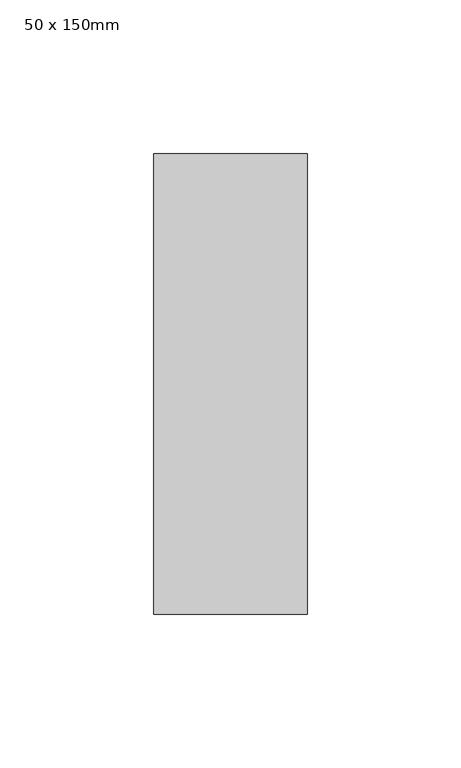
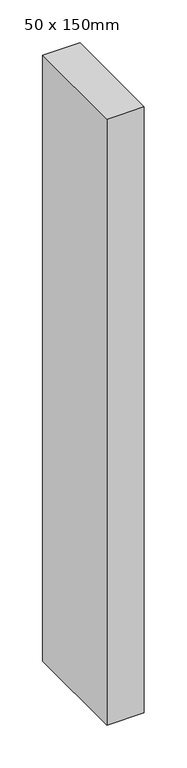
"""IFC4 building model written with IfcOpenShell, lengths in millimetres: member geometry, 50 x 150mm."""

import ifcopenshell
import ifcopenshell.guid

model = None  # the IFC model being written
_history = None  # IfcOwnerHistory: only IFC2X3 demands one
_inside = {}  # id of a spatial element -> (the spatial element, [elements in it])
_under = {}  # id of a project, library or spatial element -> (it, [spatial elements below it])
_declared = {}  # id of a project -> (the project, [libraries it declares])
_typed = {}  # id of a type object -> (the type object, [elements of that type])
_made_of = {}  # id of a material, layer set ... -> (it, [elements and type objects made of it])


def new_model(schema):
    """Start an empty IFC model of exactly this schema.

    Asked for "IFC4X3", IfcOpenShell would pick the latest addendum, in which some entities
    have other attributes; the version numbers below select the first issue.
    IFC2X3 requires an IfcOwnerHistory on every rooted entity: one is made here for all.
    """
    global model, _history
    if schema == "IFC4X3":
        model = ifcopenshell.file(schema_version=(4, 3, 0, 0))
    else:
        model = ifcopenshell.file(schema=schema)
    _inside.clear()
    _under.clear()
    _declared.clear()
    _typed.clear()
    _made_of.clear()
    _history = None
    if model.schema == "IFC2X3":
        org = make("IfcOrganization", Name="unknown")
        user = make(
            "IfcPersonAndOrganization",
            ThePerson=make("IfcPerson", FamilyName="unknown"),
            TheOrganization=org,
        )
        app = make(
            "IfcApplication",
            ApplicationDeveloper=org,
            Version="unknown",
            ApplicationFullName="unknown",
            ApplicationIdentifier="unknown",
        )
        _history = make(
            "IfcOwnerHistory",
            OwningUser=user,
            OwningApplication=app,
            ChangeAction="ADDED",
            CreationDate=0,
        )
    return model


def make(cls, **values):
    """One entity of the class cls with the attributes given. An attribute that is None is left unset."""
    return model.create_entity(
        cls, **{name: value for name, value in values.items() if value is not None}
    )


def rooted(cls, **values):
    """An entity with a GlobalId (a new one), such as an element, a storey or a relation."""
    return make(cls, GlobalId=ifcopenshell.guid.new(), OwnerHistory=_history, **values)


def si_unit(unit_type, name, prefix=None):
    """IfcSIUnit, for example si_unit("LENGTHUNIT", "METRE", prefix="MILLI")."""
    return make("IfcSIUnit", UnitType=unit_type, Prefix=prefix, Name=name)


def assignment(units):
    """IfcUnitAssignment: the units of a project."""
    return None if units is None else make("IfcUnitAssignment", Units=units)


def point(xyz):
    """IfcCartesianPoint."""
    return None if xyz is None else make("IfcCartesianPoint", Coordinates=xyz)


def direction(xyz):
    """IfcDirection."""
    return None if xyz is None else make("IfcDirection", DirectionRatios=xyz)


def frame(location, z_axis=None, x_axis=None):
    """IfcAxis2Placement3D, a coordinate frame: its origin and axes. An axis left out is left unset."""
    return make(
        "IfcAxis2Placement3D",
        Location=point(location),
        Axis=direction(z_axis),
        RefDirection=direction(x_axis),
    )


def origin():
    """The frame at (0, 0, 0) with its axes left unset."""
    return frame((0.0, 0.0, 0.0))


def place(relative_to, where):
    """IfcLocalPlacement: puts the frame where relative to a parent placement (None: the world)."""
    return make(
        "IfcLocalPlacement", PlacementRelTo=relative_to, RelativePlacement=where
    )


def context(
    kind, dimensions, precision=None, world=None, true_north=None, identifier=None
):
    """IfcGeometricRepresentationContext, for example the 3D "Model" context."""
    return make(
        "IfcGeometricRepresentationContext",
        ContextIdentifier=identifier,
        ContextType=kind,
        CoordinateSpaceDimension=dimensions,
        Precision=precision,
        WorldCoordinateSystem=world,
        TrueNorth=true_north,
    )


def project(units=None, contexts=None):
    """IfcProject with its units and contexts."""
    return rooted(
        "IfcProject",
        Name="project",
        RepresentationContexts=contexts,
        UnitsInContext=assignment(units),
    )


def spatial(cls, under=None, at=None, **own):
    """A site, building, storey or space (cls), placed at a placement, below another one or the project."""
    s = rooted(cls, ObjectPlacement=at, **own)
    if under is not None:
        _under.setdefault(under.id(), (under, []))[1].append(s)
    return s


def polyline(points):
    """IfcPolyline through the points."""
    return make("IfcPolyline", Points=[point(p) for p in points])


def outline(outer, holes=None, kind="AREA"):
    """IfcArbitraryClosedProfileDef: a profile drawn as a closed curve; with holes, ...WithVoids."""
    if holes is None:
        return make("IfcArbitraryClosedProfileDef", ProfileType=kind, OuterCurve=outer)
    return make(
        "IfcArbitraryProfileDefWithVoids",
        ProfileType=kind,
        OuterCurve=outer,
        InnerCurves=holes,
    )


def extrude(swept, where, along, depth):
    """IfcExtrudedAreaSolid: the profile swept, set in the frame where, extruded along a direction by depth."""
    return make(
        "IfcExtrudedAreaSolid",
        SweptArea=swept,
        Position=where,
        ExtrudedDirection=direction(along),
        Depth=depth,
    )


def shape(context_of_items, identifier, shape_type, items):
    """IfcShapeRepresentation: the items that make up one representation, for example the "Body"."""
    return make(
        "IfcShapeRepresentation",
        ContextOfItems=context_of_items,
        RepresentationIdentifier=identifier,
        RepresentationType=shape_type,
        Items=items,
    )


def source(mapping_origin, context_of_items, identifier, shape_type, items):
    """IfcRepresentationMap: a shape defined once, which mapped items show again and again."""
    return make(
        "IfcRepresentationMap",
        MappingOrigin=mapping_origin,
        MappedRepresentation=shape(context_of_items, identifier, shape_type, items),
    )


def transform(
    local_origin,
    x_axis=None,
    y_axis=None,
    z_axis=None,
    scale=None,
    scale2=None,
    scale3=None,
    uniform=True,
):
    """IfcCartesianTransformationOperator3D, or its non-uniform kind. x_axis, y_axis, z_axis: its Axis1, 2, 3."""
    if uniform:
        return make(
            "IfcCartesianTransformationOperator3D",
            Axis1=direction(x_axis),
            Axis2=direction(y_axis),
            LocalOrigin=point(local_origin),
            Scale=scale,
            Axis3=direction(z_axis),
        )
    return make(
        "IfcCartesianTransformationOperator3DnonUniform",
        Axis1=direction(x_axis),
        Axis2=direction(y_axis),
        LocalOrigin=point(local_origin),
        Scale=scale,
        Axis3=direction(z_axis),
        Scale2=scale2,
        Scale3=scale3,
    )


def mapped(mapping_source, mapping_target):
    """IfcMappedItem: shows the shape of a source again, moved by a transform."""
    return make(
        "IfcMappedItem", MappingSource=mapping_source, MappingTarget=mapping_target
    )


def made_of(thing, what):
    """Note that an element or type object is made of a material, layer set ...; save() writes the relation."""
    if what is not None:
        _made_of.setdefault(what.id(), (what, []))[1].append(thing)
    return thing


def element(
    cls,
    number,
    at=None,
    inside=None,
    cuts=None,
    type_object=None,
    material=None,
    context=None,
    identifier="Body",
    shape_type=None,
    held_by="IfcProductDefinitionShape",
    body=None,
    shapes=None,
    **own,
):
    """One element of the class cls, such as IfcWall. Its Tag is "e" and its number.

    at: its placement. inside: the storey or other place that contains it. cuts: it is an
    opening in that element (IfcRelVoidsElement). A single representation is given by context,
    identifier, shape_type and body (its items); several are given by shapes. held_by: the class
    of the entity that holds the representations. save() writes the other relations.
    """
    e = rooted(cls, Tag="e%d" % number, ObjectPlacement=at, **own)
    if body is not None:
        shapes = [shape(context, identifier, shape_type, body)]
    if shapes is not None:
        e.Representation = make(held_by, Representations=shapes)
    if inside is not None:
        _inside.setdefault(inside.id(), (inside, []))[1].append(e)
    if cuts is not None:
        rooted(
            "IfcRelVoidsElement", RelatingBuildingElement=cuts, RelatedOpeningElement=e
        )
    if type_object is not None:
        _typed.setdefault(type_object.id(), (type_object, []))[1].append(e)
    return made_of(e, material)


def aggregate(whole, parts):
    """IfcRelAggregates: a whole, such as a stair, and the parts it consists of."""
    return rooted("IfcRelAggregates", RelatingObject=whole, RelatedObjects=parts)


def save(model, path):
    """Write the relations noted so far, then the file.

    IfcRelAggregates (storeys below a building ...), IfcRelContainedInSpatialStructure (elements
    in a storey), IfcRelDefinesByType, IfcRelAssociatesMaterial and IfcRelDeclares: one each for
    every whole, place, type object, material and project.
    """
    for whole, parts in _under.values():
        aggregate(whole, parts)
    for where, things in _inside.values():
        rooted(
            "IfcRelContainedInSpatialStructure",
            RelatedElements=things,
            RelatingStructure=where,
        )
    for kind, things in _typed.values():
        rooted("IfcRelDefinesByType", RelatedObjects=things, RelatingType=kind)
    for what, things in _made_of.values():
        rooted("IfcRelAssociatesMaterial", RelatedObjects=things, RelatingMaterial=what)
    for by, libraries in _declared.values():
        rooted("IfcRelDeclares", RelatingContext=by, RelatedDefinitions=libraries)
    model.write(path)


def member_50_x_150mm_776607c9(model_context):
    return source(origin(), model_context, "Body", "SweptSolid", [
        extrude(outline(polyline([(0.0, 75.0), (0.0, -75.0), (-50.0, -75.0), (-50.0, 75.0), (0.0, 75.0)])), frame((0.0, 0.0, -861.5669052), z_axis=(0.0, 0.0, 1.0), x_axis=(1.0, 0.0, 0.0)), (0.0, 0.0, 1.0), 861.5669052),
    ])


if __name__ == "__main__":
    model = new_model("IFC4")
    model_context = context("Model", 3, world=origin())
    ifc_project = project(units=[si_unit("LENGTHUNIT", "METRE", prefix="MILLI")], contexts=[model_context])
    site = spatial("IfcSite", under=ifc_project)
    building = spatial("IfcBuilding", under=site)
    placement = place(None, origin())
    member_50_x_150mm_shape = member_50_x_150mm_776607c9(model_context)
    element("IfcMember", 1, ObjectType="50 x 150mm", at=placement, inside=building, context=model_context, shape_type="MappedRepresentation", body=[
        mapped(member_50_x_150mm_shape, transform((0.0, 0.0, 0.0), x_axis=(1.0, 0.0, 0.0), y_axis=(0.0, 1.0, 0.0), z_axis=(0.0, 0.0, 1.0))),
    ])
    save(model, "model.ifc")
